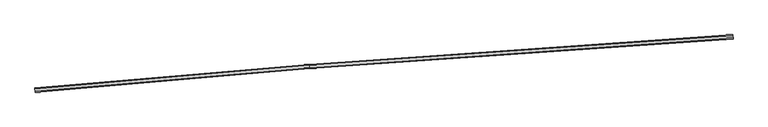
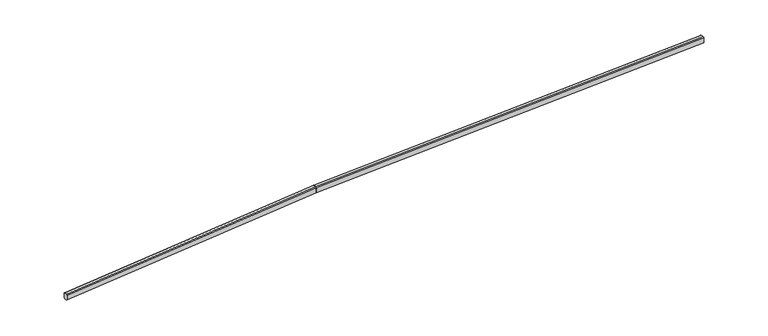
"""IFC4 building model written with IfcOpenShell, lengths in millimetres: railing geometry."""

from ifc_helpers import new_model, si_unit, frame, origin, place, context, project, spatial, circle_curve, ellipse_curve, source, transform, mapped, element, save
from ifc_brep_helpers import plane_surface, cylinder_surface, advanced_brep


def railing_34350dd3(model_context):
    return source(origin(), model_context, "Body", "AdvancedBrep", [
        advanced_brep(
        [(77304.3434104, 7868.9510396, 13302.929455), (77325.4230716, 7569.6925428, 13302.929455), (77330.692987, 7494.8779186, 13227.929455), (77330.692987, 7494.8779186, 12652.929455), (77318.0451902, 7674.4330167, 12552.929455), (77311.7212918, 7764.2105657, 12552.929455), (77299.0734951, 7943.7656637, 12652.929455), (77299.0734951, 7943.7656637, 13227.929455), (31077.9657232, 4612.7815618, 13302.929455), (31071.5142857, 4687.5129599, 13227.929455), (31071.5142857, 4687.5129599, 12652.929455), (31086.9977358, 4508.1576043, 12552.929455), (31094.7394609, 4418.4799265, 12552.929455), (31110.2229111, 4239.1245708, 12652.929455), (31110.2229111, 4239.1245708, 13227.929455), (31103.7714735, 4313.855969, 13302.929455)],
        [
            (0, 1),
            (1, 2, circle_curve(frame((77325.4230716, 7569.6925428, 13227.929455), z_axis=(0.9975283225218301, 0.07026553754710602, 0.0), x_axis=(-0.07026553754710602, 0.9975283225218301, 0.0)), 75.0)),
            (2, 3),
            (3, 4),
            (4, 5),
            (5, 6),
            (6, 7),
            (7, 0, circle_curve(frame((77304.3434104, 7868.9510396, 13227.929455), z_axis=(0.9975283225218301, 0.07026553754710602, 0.0), x_axis=(-0.07026553754710602, 0.9975283225218301, 0.0)), 75.0)),
            (8, 9, ellipse_curve(frame((31077.9657232, 4612.7815618, 13227.929455), z_axis=(-0.9962944081917983, -0.08600844264230373, 0.0), x_axis=(0.08600844264230718, -0.9962944081917979, 0.0)), 75.0093522, 75.0)),
            (9, 10),
            (10, 11),
            (11, 12),
            (12, 13),
            (13, 14),
            (14, 15, ellipse_curve(frame((31103.7714735, 4313.855969, 13227.929455), z_axis=(-0.9962944081917983, -0.08600844264230373, 0.0), x_axis=(0.08600844264230718, -0.9962944081917979, 0.0)), 75.0093522, 75.0)),
            (15, 8),
            (0, 8),
            (15, 1),
            (14, 2),
            (13, 3),
            (12, 4),
            (11, 5),
            (10, 6),
            (9, 7),
        ],
        [
            plane_surface(frame((77314.338875, 7727.0499118, 13302.929455), z_axis=(0.9975283225218301, 0.07026553754710603, 0.0), x_axis=(0.07026553754710603, -0.9975283225218301, 0.0))),
            plane_surface(frame((31090.2021847, 4471.0382891, 13302.929455), z_axis=(-0.9962944081917983, -0.08600844264230373, 0.0), x_axis=(0.08600844264230373, -0.9962944081917983, 0.0))),
            plane_surface(frame((77304.3434104, 7868.9510396, 13302.929455), z_axis=(0.0, 0.0, 1.0), x_axis=(-0.9975283225218301, -0.07026553754710602, 0.0))),
            cylinder_surface(frame((77325.4230716, 7569.6925428, 13227.929455), z_axis=(0.9975283225218301, 0.07026553754710602, 0.0), x_axis=(-0.07026553754710602, 0.9975283225218301, 0.0)), 75.0),
            plane_surface(frame((77330.692987, 7494.8779186, 13227.929455), z_axis=(0.07026553754710602, -0.9975283225218301, 0.0), x_axis=(-0.9975283225218301, -0.07026553754710602, 0.0))),
            plane_surface(frame((77330.692987, 7494.8779186, 12652.929455), z_axis=(0.03412396161521721, -0.48444257848318295, -0.8741572761215503), x_axis=(-0.9975283225218301, -0.07026553754710602, 0.0))),
            plane_surface(frame((77318.0451902, 7674.4330167, 12552.929455), z_axis=(0.0, 0.0, -1.0), x_axis=(-0.9975283225218301, -0.07026553754710603, 0.0))),
            plane_surface(frame((77311.7212918, 7764.2105657, 12552.929455), z_axis=(-0.034123961615216906, 0.48444257848317873, -0.8741572761215529), x_axis=(-0.9975283225218302, -0.07026553754710602, 0.0))),
            plane_surface(frame((77299.0734951, 7943.7656637, 12652.929455), z_axis=(-0.070265537547106, 0.9975283225218301, 0.0), x_axis=(-0.9975283225218301, -0.070265537547106, 0.0))),
            cylinder_surface(frame((77304.3434104, 7868.9510396, 13227.929455), z_axis=(0.9975283225218301, 0.07026553754710602, 0.0), x_axis=(-0.07026553754710602, 0.9975283225218301, 0.0)), 75.0),
        ],
        [
            (0, [[1, 2, 3, 4, 5, 6, 7, 8]]),
            (1, [[9, 10, 11, 12, 13, 14, 15, 16]]),
            (2, [[-1, 17, -16, 18]]),
            (3, [[-2, -18, -15, 19]]),
            (4, [[-3, -19, -14, 20]]),
            (5, [[-4, -20, -13, 21]]),
            (6, [[-5, -21, -12, 22]]),
            (7, [[-6, -22, -11, 23]]),
            (8, [[-7, -23, -10, 24]]),
            (9, [[-8, -24, -9, -17]]),
        ],
    ),
        advanced_brep(
        [(31077.9672489, 4612.7638891, 13302.9294549), (31103.7697817, 4313.8755666, 13302.9294549), (31110.2204149, 4239.153486, 13227.8957202), (31110.2204149, 4239.153486, 12652.6370876), (31094.7388952, 4418.4864795, 12552.592108), (31086.9981354, 4508.1529762, 12552.592108), (31071.5166157, 4687.4859697, 12652.6370876), (31071.5166157, 4687.4859697, 13227.8957202), (1088.4188083, 2023.8159479, 12399.9999999), (1081.9681751, 2098.5380285, 12324.9662653), (1081.9681751, 2098.5380285, 11749.7076326), (1097.4496948, 1919.205035, 11649.662653), (1105.1904546, 1829.5385383, 11649.662653), (1120.6719743, 1650.2055448, 11749.7076326), (1120.6719743, 1650.2055448, 12324.9662653), (1114.2213411, 1724.9276254, 12399.9999999)],
        [
            (0, 1),
            (1, 2, ellipse_curve(frame((31103.7697817, 4313.8755666, 13227.8957202), z_axis=(0.9962944081917983, 0.08600844264230373, 0.0), x_axis=(0.0, 0.0, 1.0)), 75.0337347, 75.0)),
            (2, 3),
            (3, 4),
            (4, 5),
            (5, 6),
            (6, 7),
            (7, 0, ellipse_curve(frame((31077.9672489, 4612.7638891, 13227.8957202), z_axis=(0.9962944081917983, 0.08600844264230373, 0.0), x_axis=(0.0, 0.0, 1.0)), 75.0337347, 75.0)),
            (8, 9, ellipse_curve(frame((1088.4188083, 2023.8159479, 12324.9662653), z_axis=(-0.9962944081917983, -0.08600844264230373, 0.0), x_axis=(0.0, 0.0, 1.0)), 75.0337347, 75.0)),
            (9, 10),
            (10, 11),
            (11, 12),
            (12, 13),
            (13, 14),
            (14, 15, ellipse_curve(frame((1114.2213411, 1724.9276254, 12324.9662653), z_axis=(-0.9962944081917983, -0.08600844264230373, 0.0), x_axis=(0.0, 0.0, 1.0)), 75.0337347, 75.0)),
            (15, 8),
            (0, 8),
            (15, 1),
            (14, 2),
            (13, 3),
            (12, 4),
            (11, 5),
            (10, 6),
            (9, 7),
        ],
        [
            plane_surface(frame((31090.2021847, 4471.0382891, 13302.9294549), z_axis=(0.9962944081917983, 0.08600844264230373, 0.0), x_axis=(0.08600844264230373, -0.9962944081917983, 0.0))),
            plane_surface(frame((1100.6537441, 1882.0903479, 12399.9999999), z_axis=(-0.9962944081917983, -0.08600844264230373, 0.0), x_axis=(0.08600844264230373, -0.9962944081917983, 0.0))),
            plane_surface(frame((31077.9672489, 4612.7638891, 13302.9294549), z_axis=(-0.029871977928922926, -0.0025787982740713335, 0.9995504062997902), x_axis=(-0.9958464805023209, -0.08596977378832688, -0.02998308299565626))),
            cylinder_surface(frame((31106.01018, 4314.0689765, 13227.9631745), z_axis=(0.995846480502321, 0.08596977378832689, 0.029983082995656267), x_axis=(-0.08600844264230373, 0.9962944081917984, 0.0)), 75.0),
            plane_surface(frame((31110.2204149, 4239.153486, 13227.8957202), z_axis=(0.08600844264230373, -0.9962944081917984, 0.0), x_axis=(-0.9958464805023209, -0.08596977378832688, -0.02998308299565626))),
            plane_surface(frame((31110.2204149, 4239.153486, 12652.6370876), z_axis=(0.06788219904962604, -0.4815890614361938, -0.8737642605172136), x_axis=(-0.9958464805023209, -0.08596977378832692, -0.02998308299565626))),
            plane_surface(frame((31094.7388952, 4418.4864795, 12552.592108), z_axis=(0.029871977928922926, 0.0025787982740713335, -0.9995504062997902), x_axis=(-0.9958464805023209, -0.08596977378832689, -0.02998308299565626))),
            plane_surface(frame((31086.9981354, 4508.1529762, 12552.592108), z_axis=(-0.01565658533220492, 0.48609761198604795, -0.873764260517216), x_axis=(-0.9958464805023209, -0.08596977378832689, -0.02998308299565626))),
            plane_surface(frame((31071.5166157, 4687.4859697, 12652.6370876), z_axis=(-0.08600844264230374, 0.9962944081917984, 0.0), x_axis=(-0.9958464805023209, -0.08596977378832689, -0.02998308299565626))),
            cylinder_surface(frame((31080.2076472, 4612.957299, 13227.9631745), z_axis=(0.995846480502321, 0.08596977378832689, 0.029983082995656267), x_axis=(-0.08600844264230373, 0.9962944081917984, 0.0)), 75.0),
        ],
        [
            (0, [[1, 2, 3, 4, 5, 6, 7, 8]]),
            (1, [[9, 10, 11, 12, 13, 14, 15, 16]]),
            (2, [[-1, 17, -16, 18]]),
            (3, [[-2, -18, -15, 19]]),
            (4, [[-3, -19, -14, 20]]),
            (5, [[-4, -20, -13, 21]]),
            (6, [[-5, -21, -12, 22]]),
            (7, [[-6, -22, -11, 23]]),
            (8, [[-7, -23, -10, 24]]),
            (9, [[-8, -24, -9, -17]]),
        ],
    ),
    ])


if __name__ == "__main__":
    model = new_model("IFC4")
    model_context = context("Model", 3, world=origin())
    ifc_project = project(units=[si_unit("LENGTHUNIT", "METRE", prefix="MILLI")], contexts=[model_context])
    site = spatial("IfcSite", under=ifc_project)
    building = spatial("IfcBuilding", under=site)
    placement = place(None, origin())
    railing_shape = railing_34350dd3(model_context)
    element("IfcRailing", 1, at=placement, inside=building, context=model_context, shape_type="MappedRepresentation", body=[
        mapped(railing_shape, transform((0.0, 0.0, 0.0), x_axis=(1.0, 0.0, 0.0), y_axis=(0.0, 1.0, 0.0), z_axis=(0.0, 0.0, 1.0))),
    ])
    save(model, "model.ifc")
